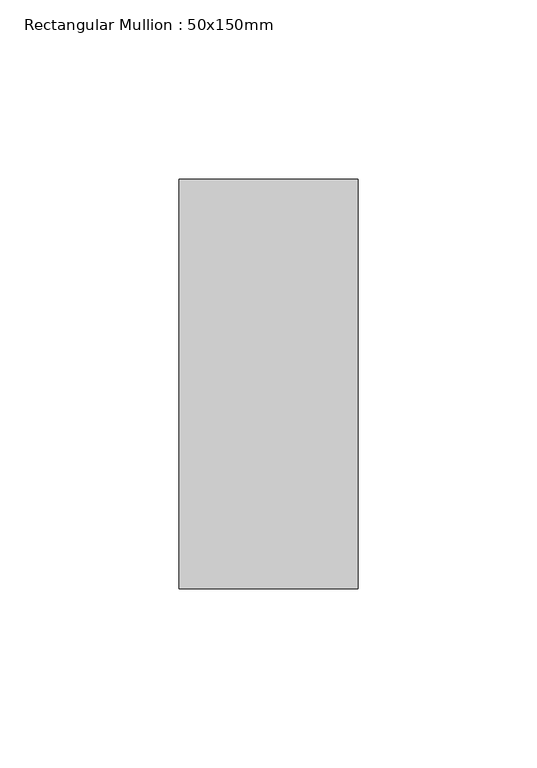
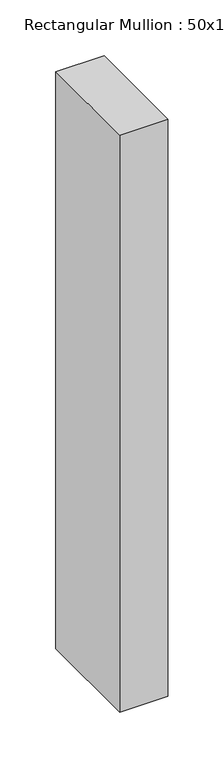
"""IFC4 building model written with IfcOpenShell, lengths in millimetres: member geometry, Rectangular Mullion : 50x150mm."""

from ifc_helpers import new_model, si_unit, frame, origin, place, context, project, spatial, polyline, outline, extrude, source, transform, mapped, element, save


def rectangular_mullion_50x150mm_cd0040fb(model_context):
    return source(origin(), model_context, "Body", "SweptSolid", [
        extrude(outline(polyline([(0.0, 57.15), (0.0, -57.15), (-50.0, -57.15), (-50.0, 57.15), (0.0, 57.15)])), frame((0.0, 0.0, -631.2465815), z_axis=(0.0, 0.0, 1.0), x_axis=(1.0, 0.0, 0.0)), (0.0, 0.0, 1.0), 631.2465815),
    ])


if __name__ == "__main__":
    model = new_model("IFC4")
    model_context = context("Model", 3, world=origin())
    ifc_project = project(units=[si_unit("LENGTHUNIT", "METRE", prefix="MILLI")], contexts=[model_context])
    site = spatial("IfcSite", under=ifc_project)
    building = spatial("IfcBuilding", under=site)
    placement = place(None, origin())
    rectangular_mullion_50x150mm_shape = rectangular_mullion_50x150mm_cd0040fb(model_context)
    element("IfcMember", 1, ObjectType="Rectangular Mullion : 50x150mm", at=placement, inside=building, context=model_context, shape_type="MappedRepresentation", body=[
        mapped(rectangular_mullion_50x150mm_shape, transform((0.0, 0.0, 0.0), x_axis=(1.0, 0.0, 0.0), y_axis=(0.0, 1.0, 0.0), z_axis=(0.0, 0.0, 1.0))),
    ])
    save(model, "model.ifc")
